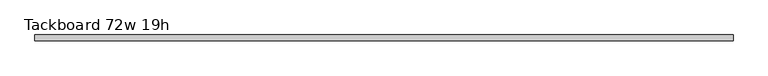
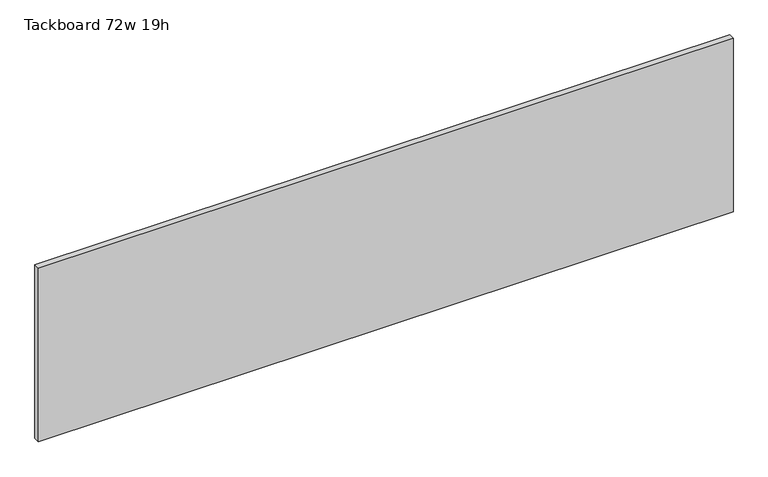
"""IFC4 building model written with IfcOpenShell, lengths in millimetres: furniture geometry, Tackboard 72w 19h."""

from ifc_helpers import new_model, si_unit, frame, origin, place, context, project, spatial, polyline, outline, extrude, source, transform, mapped, element, save


def tackboard_72w_19h_ac44f9ba(model_context):
    return source(origin(), model_context, "Body", "SweptSolid", [
        extrude(outline(polyline([(916.8402902, -28.8968594), (-911.9597098, -28.8968594), (-911.9597098, -13.0218594), (916.8402902, -13.0218594), (916.8402902, -28.8968594)])), frame((0.0, 0.0, 1066.8), z_axis=(0.0, 0.0, 1.0), x_axis=(1.0, 0.0, 0.0)), (0.0, 0.0, 1.0), 482.6),
    ])


if __name__ == "__main__":
    model = new_model("IFC4")
    model_context = context("Model", 3, world=origin())
    ifc_project = project(units=[si_unit("LENGTHUNIT", "METRE", prefix="MILLI")], contexts=[model_context])
    site = spatial("IfcSite", under=ifc_project)
    building = spatial("IfcBuilding", under=site)
    placement = place(None, origin())
    tackboard_72w_19h_shape = tackboard_72w_19h_ac44f9ba(model_context)
    element("IfcFurniture", 1, ObjectType="Tackboard 72w 19h", at=placement, inside=building, context=model_context, shape_type="MappedRepresentation", body=[
        mapped(tackboard_72w_19h_shape, transform((0.0, 0.0, 0.0), x_axis=(1.0, 0.0, 0.0), y_axis=(0.0, 1.0, 0.0), z_axis=(0.0, 0.0, 1.0))),
    ])
    save(model, "model.ifc")
